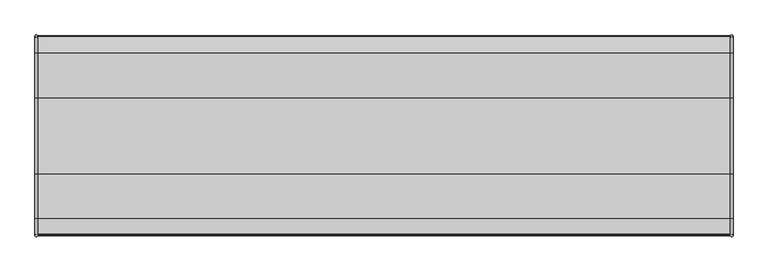
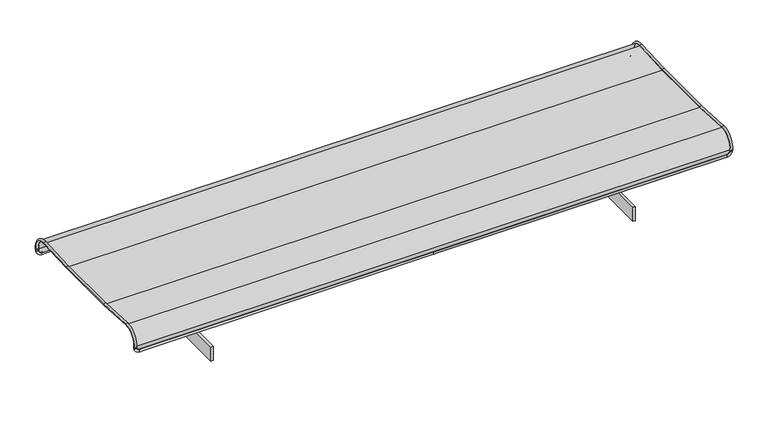
"""IFC4 building model written with IfcOpenShell, lengths in millimetres: furniture geometry."""

from ifc_helpers import new_model, si_unit, point, frame, frame_2d, origin, place, context, project, spatial, polyline, circle_curve, ellipse_curve, trimmed, segment, composite_curve, outline, extrude, source, transform, mapped, element, save
from ifc_brep_helpers import cylinder_surface, revolved_surface, advanced_brep


def furniture_deac8230(model_context):
    return source(origin(), model_context, "Body", "SolidModel", [
        advanced_brep(
        [(-999.5462493, 284.4659394, 360.5104882), (-999.5462493, 284.7053914, 362.4961022), (-991.5462493, 284.7053914, 362.4961022), (-991.5462493, 284.4659394, 360.5104882), (-999.5462493, 237.4859431, 412.9140708), (-991.5462493, 237.4859431, 412.9140708), (-999.5462493, 108.7493766, 405.8885189), (-991.5462493, 108.7493766, 405.8885189), (-999.5462493, -108.7732306, 405.8885189), (-991.5462493, -108.7732306, 405.8885189), (-999.5462493, -236.3198142, 412.8491298), (-991.5462493, -236.3198142, 412.8491298), (-999.5462493, -284.5865614, 361.3129209), (-991.5462493, -284.5865614, 361.3129209), (-999.5462493, -284.3471094, 359.3273069), (-991.5462493, -284.3471094, 359.3273069), (0.0, 282.8913258, 347.4532831), (-980.5462493, 282.8913258, 347.4532831), (-980.5462493, 281.9335176, 339.5108274), (0.0, 281.9335176, 339.5108274), (-999.5462493, 284.2083121, 358.3741598), (-991.5462493, 284.2083121, 358.3741598), (0.0, -281.8146877, 338.3276461), (-980.5462493, -281.8146877, 338.3276461), (-980.5462493, -282.7724959, 346.2701019), (0.0, -282.7724959, 346.2701019), (-991.5462493, -284.0894821, 357.1909785), (-999.5462493, -284.0894821, 357.1909785), (980.5462493, -282.7724959, 346.2701019), (980.5462493, -281.8146877, 338.3276461), (999.5462493, -284.0894821, 357.1909785), (991.5462493, -284.0894821, 357.1909785), (991.5462493, -284.3471094, 359.3273069), (999.5462493, -284.3471094, 359.3273069), (991.5462493, 284.4659394, 360.5104882), (991.5462493, 284.7053914, 362.4961022), (999.5462493, 284.7053914, 362.4961022), (999.5462493, 284.4659394, 360.5104882), (991.5462493, 237.4859431, 412.9140708), (999.5462493, 237.4859431, 412.9140708), (991.5462493, 108.7493766, 405.8885189), (999.5462493, 108.7493766, 405.8885189), (991.5462493, -108.7732306, 405.8885189), (999.5462493, -108.7732306, 405.8885189), (991.5462493, -236.3198142, 412.8491298), (999.5462493, -236.3198142, 412.8491298), (991.5462493, -284.5865614, 361.3129209), (999.5462493, -284.5865614, 361.3129209), (980.5462493, 281.9335176, 339.5108274), (980.5462493, 282.8913258, 347.4532831), (991.5462493, 284.2083121, 358.3741598), (999.5462493, 284.2083121, 358.3741598)],
        [
            (0, 1),
            (1, 2, circle_curve(frame((-995.5462493, 284.7053914, 362.4961022), z_axis=(0.0, -0.11972602531905047, -0.9928069695873927), x_axis=(1.0, 0.0, 0.0)), 4.0)),
            (2, 3),
            (3, 0, circle_curve(frame((-995.5462493, 284.4659394, 360.5104882), z_axis=(0.0, 0.11972602531905047, 0.9928069695873927), x_axis=(1.0, 0.0, 0.0)), 4.0)),
            (0, 3, circle_curve(frame((-995.5462493, 284.4659394, 360.5104882), z_axis=(0.0, 0.11972602531905047, 0.9928069695873927), x_axis=(1.0, 0.0, 0.0)), 4.0)),
            (2, 1, circle_curve(frame((-995.5462493, 284.7053914, 362.4961022), z_axis=(0.0, -0.11972602531905047, -0.9928069695873927), x_axis=(1.0, 0.0, 0.0)), 4.0)),
            (1, 4, circle_curve(frame((-999.5462493, 239.9428178, 367.8941757), z_axis=(1.0, 0.0, 0.0), x_axis=(0.0, 0.9928069695873927, -0.11972602531905052)), 45.0868849)),
            (4, 5, circle_curve(frame((-995.5462493, 237.4859431, 412.9140708), z_axis=(0.0, 0.9985142070101786, 0.05449200307232521), x_axis=(1.0, 0.0, 0.0)), 4.0)),
            (5, 2, circle_curve(frame((-991.5462493, 239.9428178, 367.8941757), z_axis=(-1.0, 0.0, 0.0), x_axis=(0.0, 0.9928069695873927, -0.11972602531905052)), 45.0868849)),
            (5, 4, circle_curve(frame((-995.5462493, 237.4859431, 412.9140708), z_axis=(0.0, 0.9985142070101786, 0.05449200307232521), x_axis=(1.0, 0.0, 0.0)), 4.0)),
            (4, 6),
            (6, 7, circle_curve(frame((-995.5462493, 108.7493766, 405.8885189), z_axis=(0.0, 0.9985142070101783, 0.0544920030723324), x_axis=(1.0, 0.0, 0.0)), 4.0)),
            (7, 5),
            (7, 6, circle_curve(frame((-995.5462493, 108.7493766, 405.8885189), z_axis=(0.0, 0.9985142070101783, 0.0544920030723324), x_axis=(1.0, 0.0, 0.0)), 4.0)),
            (6, 8, circle_curve(frame((-999.5462493, -0.011927, 2398.8361203), z_axis=(-1.0, 0.0, 0.0), x_axis=(0.0, 0.054492003072338854, -0.9985142070101778)), 1995.9131151)),
            (8, 9, circle_curve(frame((-995.5462493, -108.7732306, 405.8885189), z_axis=(0.0, 0.9985142070101786, -0.05449200307232431), x_axis=(1.0, 0.0, 0.0)), 4.0)),
            (9, 7, circle_curve(frame((-991.5462493, -0.011927, 2398.8361203), z_axis=(1.0, 0.0, 0.0), x_axis=(0.0, 0.054492003072338854, -0.9985142070101778)), 1995.9131151)),
            (9, 8, circle_curve(frame((-995.5462493, -108.7732306, 405.8885189), z_axis=(0.0, 0.9985142070101786, -0.05449200307232431), x_axis=(1.0, 0.0, 0.0)), 4.0)),
            (8, 10),
            (10, 11, circle_curve(frame((-995.5462493, -236.3198142, 412.8491298), z_axis=(0.0, 0.9985142070101782, -0.05449200307233083), x_axis=(1.0, 0.0, 0.0)), 4.0)),
            (11, 9),
            (11, 10, circle_curve(frame((-995.5462493, -236.3198142, 412.8491298), z_axis=(0.0, 0.9985142070101782, -0.05449200307233083), x_axis=(1.0, 0.0, 0.0)), 4.0)),
            (10, 12, circle_curve(frame((-999.5462493, -238.8311808, 366.8307204), z_axis=(1.0, 0.0, 0.0), x_axis=(0.0, 0.05449200307233129, 0.9985142070101782)), 46.0868849)),
            (12, 13, circle_curve(frame((-995.5462493, -284.5865614, 361.3129209), z_axis=(0.0, -0.11972602531906146, 0.9928069695873915), x_axis=(1.0, 0.0, 0.0)), 4.0)),
            (13, 11, circle_curve(frame((-991.5462493, -238.8311808, 366.8307204), z_axis=(-1.0, 0.0, 0.0), x_axis=(0.0, 0.05449200307233129, 0.9985142070101782)), 46.0868849)),
            (13, 12, circle_curve(frame((-995.5462493, -284.5865614, 361.3129209), z_axis=(0.0, -0.11972602531906146, 0.9928069695873915), x_axis=(1.0, 0.0, 0.0)), 4.0)),
            (12, 14),
            (14, 15, circle_curve(frame((-995.5462493, -284.3471094, 359.3273069), z_axis=(0.0, -0.11972602531906026, 0.9928069695873917), x_axis=(1.0, 0.0, 0.0)), 4.0)),
            (15, 13),
            (15, 14, circle_curve(frame((-995.5462493, -284.3471094, 359.3273069), z_axis=(0.0, -0.11972602531906026, 0.9928069695873917), x_axis=(1.0, 0.0, 0.0)), 4.0)),
            (16, 17),
            (17, 18, circle_curve(frame((-980.5462493, 282.4124217, 343.4820553), z_axis=(1.0, 0.0, 0.0), x_axis=(0.0, 0.1197260253190525, 0.9928069695873926)), 4.0)),
            (18, 19),
            (19, 16, circle_curve(frame((0.0, 282.4124217, 343.4820553), z_axis=(-1.0, 0.0, 0.0), x_axis=(0.0, 0.1197260253190525, 0.9928069695873926)), 4.0)),
            (16, 19, circle_curve(frame((0.0, 282.4124217, 343.4820553), z_axis=(-1.0, 0.0, 0.0), x_axis=(0.0, 0.1197260253190525, 0.9928069695873926)), 4.0)),
            (18, 17, circle_curve(frame((-980.5462493, 282.4124217, 343.4820553), z_axis=(1.0, 0.0, 0.0), x_axis=(0.0, 0.1197260253190525, 0.9928069695873926)), 4.0)),
            (20, 21, circle_curve(frame((-995.5462493, 284.2083121, 358.3741598), z_axis=(0.0, 0.11972602531905252, 0.9928069695873926), x_axis=(1.0, 0.0, 0.0)), 4.0)),
            (21, 3),
            (0, 20),
            (21, 20, circle_curve(frame((-995.5462493, 284.2083121, 358.3741598), z_axis=(0.0, 0.11972602531905252, 0.9928069695873926), x_axis=(1.0, 0.0, 0.0)), 4.0)),
            (17, 21, circle_curve(frame((-980.5462493, 284.2083121, 358.3741598), z_axis=(0.0, 0.9928069695873926, -0.1197260253190525), x_axis=(0.0, -0.1197260253190525, -0.9928069695873926)), 11.0)),
            (20, 18, circle_curve(frame((-980.5462493, 284.2083121, 358.3741598), z_axis=(0.0, -0.9928069695873926, 0.1197260253190525), x_axis=(0.0, -0.1197260253190525, -0.9928069695873926)), 19.0)),
            (22, 23),
            (23, 24, circle_curve(frame((-980.5462493, -282.2935918, 342.298874), z_axis=(1.0, 0.0, 0.0), x_axis=(0.0, -0.1197260253190525, 0.9928069695873926)), 4.0)),
            (24, 25),
            (25, 22, circle_curve(frame((0.0, -282.2935918, 342.298874), z_axis=(-1.0, 0.0, 0.0), x_axis=(0.0, -0.1197260253190525, 0.9928069695873926)), 4.0)),
            (22, 25, circle_curve(frame((0.0, -282.2935918, 342.298874), z_axis=(-1.0, 0.0, 0.0), x_axis=(0.0, -0.1197260253190525, 0.9928069695873926)), 4.0)),
            (24, 23, circle_curve(frame((-980.5462493, -282.2935918, 342.298874), z_axis=(1.0, 0.0, 0.0), x_axis=(0.0, -0.1197260253190525, 0.9928069695873926)), 4.0)),
            (26, 27, circle_curve(frame((-995.5462493, -284.0894821, 357.1909785), z_axis=(0.0, -0.11972602531905252, 0.9928069695873926), x_axis=(1.0, 0.0, 0.0)), 4.0)),
            (27, 14),
            (15, 26),
            (27, 26, circle_curve(frame((-995.5462493, -284.0894821, 357.1909785), z_axis=(0.0, -0.11972602531905252, 0.9928069695873926), x_axis=(1.0, 0.0, 0.0)), 4.0)),
            (23, 27, circle_curve(frame((-980.5462493, -284.0894821, 357.1909785), z_axis=(0.0, 0.9928069695873926, 0.1197260253190525), x_axis=(0.0, 0.1197260253190525, -0.9928069695873926)), 19.0)),
            (26, 24, circle_curve(frame((-980.5462493, -284.0894821, 357.1909785), z_axis=(0.0, -0.9928069695873926, -0.1197260253190525), x_axis=(0.0, 0.1197260253190525, -0.9928069695873926)), 11.0)),
            (25, 28),
            (28, 29, circle_curve(frame((980.5462493, -282.2935918, 342.298874), z_axis=(-1.0, 0.0, 0.0), x_axis=(0.0, -0.1197260253190525, 0.9928069695873926)), 4.0)),
            (29, 22),
            (29, 28, circle_curve(frame((980.5462493, -282.2935918, 342.298874), z_axis=(-1.0, 0.0, 0.0), x_axis=(0.0, -0.1197260253190525, 0.9928069695873926)), 4.0)),
            (30, 31, circle_curve(frame((995.5462493, -284.0894821, 357.1909785), z_axis=(0.0, -0.11972602531905252, 0.9928069695873926), x_axis=(-1.0, 0.0, 0.0)), 4.0)),
            (31, 32),
            (32, 33, circle_curve(frame((995.5462493, -284.3471094, 359.3273069), z_axis=(0.0, 0.11972602531905252, -0.9928069695873926), x_axis=(-1.0, 0.0, 0.0)), 4.0)),
            (33, 30),
            (31, 30, circle_curve(frame((995.5462493, -284.0894821, 357.1909785), z_axis=(0.0, -0.11972602531905252, 0.9928069695873926), x_axis=(-1.0, 0.0, 0.0)), 4.0)),
            (33, 32, circle_curve(frame((995.5462493, -284.3471094, 359.3273069), z_axis=(0.0, 0.11972602531905252, -0.9928069695873926), x_axis=(-1.0, 0.0, 0.0)), 4.0)),
            (28, 31, circle_curve(frame((980.5462493, -284.0894821, 357.1909785), z_axis=(0.0, -0.9928069695873926, -0.1197260253190525), x_axis=(0.0, 0.1197260253190525, -0.9928069695873926)), 11.0)),
            (30, 29, circle_curve(frame((980.5462493, -284.0894821, 357.1909785), z_axis=(0.0, 0.9928069695873926, 0.1197260253190525), x_axis=(0.0, 0.1197260253190525, -0.9928069695873926)), 19.0)),
            (34, 35),
            (35, 36, circle_curve(frame((995.5462493, 284.7053914, 362.4961022), z_axis=(0.0, -0.11972602531905047, -0.9928069695873927), x_axis=(-1.0, 0.0, 0.0)), 4.0)),
            (36, 37),
            (37, 34, circle_curve(frame((995.5462493, 284.4659394, 360.5104882), z_axis=(0.0, 0.11972602531905047, 0.9928069695873927), x_axis=(-1.0, 0.0, 0.0)), 4.0)),
            (34, 37, circle_curve(frame((995.5462493, 284.4659394, 360.5104882), z_axis=(0.0, 0.11972602531905047, 0.9928069695873927), x_axis=(-1.0, 0.0, 0.0)), 4.0)),
            (36, 35, circle_curve(frame((995.5462493, 284.7053914, 362.4961022), z_axis=(0.0, -0.11972602531905047, -0.9928069695873927), x_axis=(-1.0, 0.0, 0.0)), 4.0)),
            (35, 38, circle_curve(frame((991.5462493, 239.9428178, 367.8941757), z_axis=(1.0, 0.0, 0.0), x_axis=(0.0, 0.9928069695873929, -0.11972602531904875)), 45.0868849)),
            (38, 39, circle_curve(frame((995.5462493, 237.4859431, 412.9140708), z_axis=(0.0, 0.9985142070101786, 0.05449200307232563), x_axis=(-1.0, 0.0, 0.0)), 4.0)),
            (39, 36, circle_curve(frame((999.5462493, 239.9428178, 367.8941757), z_axis=(-1.0, 0.0, 0.0), x_axis=(0.0, 0.9928069695873929, -0.11972602531904875)), 45.0868849)),
            (39, 38, circle_curve(frame((995.5462493, 237.4859431, 412.9140708), z_axis=(0.0, 0.9985142070101786, 0.05449200307232563), x_axis=(-1.0, 0.0, 0.0)), 4.0)),
            (38, 40),
            (40, 41, circle_curve(frame((995.5462493, 108.7493766, 405.8885189), z_axis=(0.0, 0.9985142070101783, 0.05449200307233243), x_axis=(-1.0, 0.0, 0.0)), 4.0)),
            (41, 39),
            (41, 40, circle_curve(frame((995.5462493, 108.7493766, 405.8885189), z_axis=(0.0, 0.9985142070101783, 0.05449200307233243), x_axis=(-1.0, 0.0, 0.0)), 4.0)),
            (40, 42, circle_curve(frame((991.5462493, -0.011927, 2398.8361203), z_axis=(-1.0, 0.0, 0.0), x_axis=(0.0, 0.054492003072338854, -0.9985142070101778)), 1995.9131151)),
            (42, 43, circle_curve(frame((995.5462493, -108.7732306, 405.8885189), z_axis=(0.0, 0.9985142070101786, -0.05449200307232428), x_axis=(-1.0, 0.0, 0.0)), 4.0)),
            (43, 41, circle_curve(frame((999.5462493, -0.011927, 2398.8361203), z_axis=(1.0, 0.0, 0.0), x_axis=(0.0, 0.054492003072338854, -0.9985142070101778)), 1995.9131151)),
            (43, 42, circle_curve(frame((995.5462493, -108.7732306, 405.8885189), z_axis=(0.0, 0.9985142070101786, -0.05449200307232428), x_axis=(-1.0, 0.0, 0.0)), 4.0)),
            (42, 44),
            (44, 45, circle_curve(frame((995.5462493, -236.3198142, 412.8491298), z_axis=(0.0, 0.9985142070101783, -0.05449200307233081), x_axis=(-1.0, 0.0, 0.0)), 4.0)),
            (45, 43),
            (45, 44, circle_curve(frame((995.5462493, -236.3198142, 412.8491298), z_axis=(0.0, 0.9985142070101783, -0.05449200307233081), x_axis=(-1.0, 0.0, 0.0)), 4.0)),
            (44, 46, circle_curve(frame((991.5462493, -238.8311808, 366.8307204), z_axis=(1.0, 0.0, 0.0), x_axis=(0.0, 0.05449200307233129, 0.9985142070101782)), 46.0868849)),
            (46, 47, circle_curve(frame((995.5462493, -284.5865614, 361.3129209), z_axis=(0.0, -0.11972602531906149, 0.9928069695873915), x_axis=(-1.0, 0.0, 0.0)), 4.0)),
            (47, 45, circle_curve(frame((999.5462493, -238.8311808, 366.8307204), z_axis=(-1.0, 0.0, 0.0), x_axis=(0.0, 0.05449200307233129, 0.9985142070101782)), 46.0868849)),
            (47, 46, circle_curve(frame((995.5462493, -284.5865614, 361.3129209), z_axis=(0.0, -0.11972602531906149, 0.9928069695873915), x_axis=(-1.0, 0.0, 0.0)), 4.0)),
            (46, 32),
            (33, 47),
            (19, 48),
            (48, 49, circle_curve(frame((980.5462493, 282.4124217, 343.4820553), z_axis=(-1.0, 0.0, 0.0), x_axis=(0.0, 0.1197260253190525, 0.9928069695873926)), 4.0)),
            (49, 16),
            (49, 48, circle_curve(frame((980.5462493, 282.4124217, 343.4820553), z_axis=(-1.0, 0.0, 0.0), x_axis=(0.0, 0.1197260253190525, 0.9928069695873926)), 4.0)),
            (50, 51, circle_curve(frame((995.5462493, 284.2083121, 358.3741598), z_axis=(0.0, 0.11972602531905252, 0.9928069695873926), x_axis=(-1.0, 0.0, 0.0)), 4.0)),
            (51, 37),
            (34, 50),
            (51, 50, circle_curve(frame((995.5462493, 284.2083121, 358.3741598), z_axis=(0.0, 0.11972602531905252, 0.9928069695873926), x_axis=(-1.0, 0.0, 0.0)), 4.0)),
            (48, 51, circle_curve(frame((980.5462493, 284.2083121, 358.3741598), z_axis=(0.0, -0.9928069695873926, 0.1197260253190525), x_axis=(0.0, -0.1197260253190525, -0.9928069695873926)), 19.0)),
            (50, 49, circle_curve(frame((980.5462493, 284.2083121, 358.3741598), z_axis=(0.0, 0.9928069695873926, -0.1197260253190525), x_axis=(0.0, -0.1197260253190525, -0.9928069695873926)), 11.0)),
        ],
        [
            cylinder_surface(frame((-995.5462493, 284.4659394, 360.5104882), z_axis=(0.0, -0.11972602531905047, -0.9928069695873927), x_axis=(1.0, 0.0, 0.0)), 4.0),
            revolved_surface(trimmed(ellipse_curve(frame((-995.5462493, 284.7053914, 362.4961022), z_axis=(0.0, -0.1197260253190505, -0.9928069695873927), x_axis=(1.0, 0.0, 0.0)), 4.0, 4.0), [point((-999.5462493, 284.7053914, 362.4961022))], [point((-991.5462493, 284.7053914, 362.4961022))], True, "CARTESIAN"), (-646.1061414, 239.9428178, 367.8941757), (1.0, 0.0, 0.0)),
            revolved_surface(trimmed(ellipse_curve(frame((-995.5462493, 284.7053914, 362.4961022), z_axis=(0.0, -0.1197260253190505, -0.9928069695873927), x_axis=(1.0, 0.0, 0.0)), 4.0, 4.0), [point((-991.5462493, 284.7053914, 362.4961022))], [point((-999.5462493, 284.7053914, 362.4961022))], True, "CARTESIAN"), (-646.1061414, 239.9428178, 367.8941757), (1.0, 0.0, 0.0)),
            cylinder_surface(frame((-995.5462493, 237.4859431, 412.9140708), z_axis=(0.0, 0.9985142070101781, 0.05449200307233239), x_axis=(1.0, 0.0, 0.0)), 4.0),
            revolved_surface(trimmed(ellipse_curve(frame((-995.5462493, 108.7493766, 405.8885189), z_axis=(0.0, 0.9985142070101778, 0.054492003072338875), x_axis=(1.0, 0.0, 0.0)), 4.0, 4.0), [point((-999.5462493, 108.7493766, 405.8885189))], [point((-991.5462493, 108.7493766, 405.8885189))], True, "CARTESIAN"), (-646.1061414, -0.011927, 2398.8361203), (-1.0, 0.0, 0.0)),
            revolved_surface(trimmed(ellipse_curve(frame((-995.5462493, 108.7493766, 405.8885189), z_axis=(0.0, 0.9985142070101778, 0.054492003072338875), x_axis=(1.0, 0.0, 0.0)), 4.0, 4.0), [point((-991.5462493, 108.7493766, 405.8885189))], [point((-999.5462493, 108.7493766, 405.8885189))], True, "CARTESIAN"), (-646.1061414, -0.011927, 2398.8361203), (-1.0, 0.0, 0.0)),
            cylinder_surface(frame((-995.5462493, -108.7732306, 405.8885189), z_axis=(0.0, 0.9985142070101782, -0.05449200307233083), x_axis=(1.0, 0.0, 0.0)), 4.0),
            revolved_surface(trimmed(ellipse_curve(frame((-995.5462493, -236.3198142, 412.8491298), z_axis=(0.0, 0.9985142070101782, -0.05449200307233126), x_axis=(1.0, 0.0, 0.0)), 4.0, 4.0), [point((-999.5462493, -236.3198142, 412.8491298))], [point((-991.5462493, -236.3198142, 412.8491298))], True, "CARTESIAN"), (-646.1061414, -238.8311808, 366.8307204), (1.0, 0.0, 0.0)),
            revolved_surface(trimmed(ellipse_curve(frame((-995.5462493, -236.3198142, 412.8491298), z_axis=(0.0, 0.9985142070101782, -0.05449200307233126), x_axis=(1.0, 0.0, 0.0)), 4.0, 4.0), [point((-991.5462493, -236.3198142, 412.8491298))], [point((-999.5462493, -236.3198142, 412.8491298))], True, "CARTESIAN"), (-646.1061414, -238.8311808, 366.8307204), (1.0, 0.0, 0.0)),
            cylinder_surface(frame((-995.5462493, -284.5865614, 361.3129209), z_axis=(0.0, -0.11972602531906024, 0.9928069695873915), x_axis=(1.0, 0.0, 0.0)), 4.0),
            cylinder_surface(frame((0.0, 282.4124217, 343.4820553), z_axis=(1.0000000000000002, 0.0, 0.0), x_axis=(0.0, 0.1197260253190525, 0.9928069695873926)), 4.0),
            cylinder_surface(frame((-995.5462493, 284.2083121, 358.3741598), z_axis=(0.0, -0.11972602531905252, -0.9928069695873926), x_axis=(1.0, 0.0, 0.0)), 4.0),
            revolved_surface(trimmed(ellipse_curve(frame((-980.5462493, 282.4124217, 343.4820553), z_axis=(1.0000000000000002, 0.0, 0.0), x_axis=(0.0, 0.1197260253190525, 0.9928069695873926)), 4.0, 4.0), [point((-980.5462493, 282.8913258, 347.4532831))], [point((-980.5462493, 281.9335176, 339.5108274))], True, "CARTESIAN"), (-980.5462493, 1024.8202347, 269.0612072), (0.0, 0.9928069695873926, -0.1197260253190525)),
            revolved_surface(trimmed(ellipse_curve(frame((-980.5462493, 282.4124217, 343.4820553), z_axis=(1.0000000000000002, 0.0, 0.0), x_axis=(0.0, 0.1197260253190525, 0.9928069695873926)), 4.0, 4.0), [point((-980.5462493, 281.9335176, 339.5108274))], [point((-980.5462493, 282.8913258, 347.4532831))], True, "CARTESIAN"), (-980.5462493, 1024.8202347, 269.0612072), (0.0, 0.9928069695873926, -0.1197260253190525)),
            cylinder_surface(frame((0.0, -282.2935918, 342.298874), z_axis=(1.0000000000000002, 0.0, 0.0), x_axis=(0.0, -0.1197260253190525, 0.9928069695873926)), 4.0),
            cylinder_surface(frame((-995.5462493, -284.0894821, 357.1909785), z_axis=(0.0, 0.11972602531905252, -0.9928069695873926), x_axis=(1.0, 0.0, 0.0)), 4.0),
            revolved_surface(trimmed(ellipse_curve(frame((-980.5462493, -282.2935918, 342.298874), z_axis=(1.0000000000000002, 0.0, 0.0), x_axis=(0.0, -0.1197260253190525, 0.9928069695873926)), 4.0, 4.0), [point((-980.5462493, -281.8146877, 338.3276461))], [point((-980.5462493, -282.7724959, 346.2701019))], True, "CARTESIAN"), (-980.5462493, -1024.7014047, 267.878026), (0.0, 0.9928069695873926, 0.1197260253190525)),
            revolved_surface(trimmed(ellipse_curve(frame((-980.5462493, -282.2935918, 342.298874), z_axis=(1.0000000000000002, 0.0, 0.0), x_axis=(0.0, -0.1197260253190525, 0.9928069695873926)), 4.0, 4.0), [point((-980.5462493, -282.7724959, 346.2701019))], [point((-980.5462493, -281.8146877, 338.3276461))], True, "CARTESIAN"), (-980.5462493, -1024.7014047, 267.878026), (0.0, 0.9928069695873926, 0.1197260253190525)),
            cylinder_surface(frame((0.0, -282.2935918, 342.298874), z_axis=(-1.0000000000000002, 0.0, 0.0), x_axis=(0.0, -0.1197260253190525, 0.9928069695873926)), 4.0),
            cylinder_surface(frame((995.5462493, -284.0894821, 357.1909785), z_axis=(0.0, 0.11972602531905252, -0.9928069695873926), x_axis=(-1.0, 0.0, 0.0)), 4.0),
            revolved_surface(trimmed(ellipse_curve(frame((980.5462493, -282.2935918, 342.298874), z_axis=(-1.0000000000000002, 0.0, 0.0), x_axis=(0.0, -0.1197260253190525, 0.9928069695873926)), 4.0, 4.0), [point((980.5462493, -282.7724959, 346.2701019))], [point((980.5462493, -281.8146877, 338.3276461))], True, "CARTESIAN"), (980.5462493, -1024.7014047, 267.878026), (0.0, -0.9928069695873926, -0.1197260253190525)),
            revolved_surface(trimmed(ellipse_curve(frame((980.5462493, -282.2935918, 342.298874), z_axis=(-1.0000000000000002, 0.0, 0.0), x_axis=(0.0, -0.1197260253190525, 0.9928069695873926)), 4.0, 4.0), [point((980.5462493, -281.8146877, 338.3276461))], [point((980.5462493, -282.7724959, 346.2701019))], True, "CARTESIAN"), (980.5462493, -1024.7014047, 267.878026), (0.0, -0.9928069695873926, -0.1197260253190525)),
            cylinder_surface(frame((995.5462493, 284.4659394, 360.5104882), z_axis=(0.0, -0.11972602531905047, -0.9928069695873927), x_axis=(-1.0, 0.0, 0.0)), 4.0),
            revolved_surface(trimmed(ellipse_curve(frame((995.5462493, 284.7053914, 362.4961022), z_axis=(0.0, -0.11972602531904873, -0.9928069695873929), x_axis=(-1.0, 0.0, 0.0)), 4.0, 4.0), [point((991.5462493, 284.7053914, 362.4961022))], [point((999.5462493, 284.7053914, 362.4961022))], True, "CARTESIAN"), (646.1061414, 239.9428178, 367.8941757), (1.0, 0.0, 0.0)),
            revolved_surface(trimmed(ellipse_curve(frame((995.5462493, 284.7053914, 362.4961022), z_axis=(0.0, -0.11972602531904873, -0.9928069695873929), x_axis=(-1.0, 0.0, 0.0)), 4.0, 4.0), [point((999.5462493, 284.7053914, 362.4961022))], [point((991.5462493, 284.7053914, 362.4961022))], True, "CARTESIAN"), (646.1061414, 239.9428178, 367.8941757), (1.0, 0.0, 0.0)),
            cylinder_surface(frame((995.5462493, 237.4859431, 412.9140708), z_axis=(0.0, 0.9985142070101781, 0.054492003072332415), x_axis=(-1.0, 0.0, 0.0)), 4.0),
            revolved_surface(trimmed(ellipse_curve(frame((995.5462493, 108.7493766, 405.8885189), z_axis=(0.0, 0.9985142070101778, 0.0544920030723389), x_axis=(-1.0, 0.0, 0.0)), 4.0, 4.0), [point((991.5462493, 108.7493766, 405.8885189))], [point((999.5462493, 108.7493766, 405.8885189))], True, "CARTESIAN"), (646.1061414, -0.011927, 2398.8361203), (-1.0, 0.0, 0.0)),
            revolved_surface(trimmed(ellipse_curve(frame((995.5462493, 108.7493766, 405.8885189), z_axis=(0.0, 0.9985142070101778, 0.0544920030723389), x_axis=(-1.0, 0.0, 0.0)), 4.0, 4.0), [point((999.5462493, 108.7493766, 405.8885189))], [point((991.5462493, 108.7493766, 405.8885189))], True, "CARTESIAN"), (646.1061414, -0.011927, 2398.8361203), (-1.0, 0.0, 0.0)),
            cylinder_surface(frame((995.5462493, -108.7732306, 405.8885189), z_axis=(0.0, 0.9985142070101783, -0.05449200307233081), x_axis=(-1.0, 0.0, 0.0)), 4.0),
            revolved_surface(trimmed(ellipse_curve(frame((995.5462493, -236.3198142, 412.8491298), z_axis=(0.0, 0.9985142070101782, -0.054492003072331235), x_axis=(-1.0, 0.0, 0.0)), 4.0, 4.0), [point((991.5462493, -236.3198142, 412.8491298))], [point((999.5462493, -236.3198142, 412.8491298))], True, "CARTESIAN"), (646.1061414, -238.8311808, 366.8307204), (1.0, 0.0, 0.0)),
            revolved_surface(trimmed(ellipse_curve(frame((995.5462493, -236.3198142, 412.8491298), z_axis=(0.0, 0.9985142070101782, -0.054492003072331235), x_axis=(-1.0, 0.0, 0.0)), 4.0, 4.0), [point((999.5462493, -236.3198142, 412.8491298))], [point((991.5462493, -236.3198142, 412.8491298))], True, "CARTESIAN"), (646.1061414, -238.8311808, 366.8307204), (1.0, 0.0, 0.0)),
            cylinder_surface(frame((995.5462493, -284.5865614, 361.3129209), z_axis=(0.0, -0.11972602531906028, 0.9928069695873916), x_axis=(-1.0, 0.0, 0.0)), 4.0),
            cylinder_surface(frame((0.0, 282.4124217, 343.4820553), z_axis=(-1.0000000000000002, 0.0, 0.0), x_axis=(0.0, 0.1197260253190525, 0.9928069695873926)), 4.0),
            cylinder_surface(frame((995.5462493, 284.2083121, 358.3741598), z_axis=(0.0, -0.11972602531905252, -0.9928069695873926), x_axis=(-1.0, 0.0, 0.0)), 4.0),
            revolved_surface(trimmed(ellipse_curve(frame((980.5462493, 282.4124217, 343.4820553), z_axis=(-1.0000000000000002, 0.0, 0.0), x_axis=(0.0, 0.1197260253190525, 0.9928069695873926)), 4.0, 4.0), [point((980.5462493, 281.9335176, 339.5108274))], [point((980.5462493, 282.8913258, 347.4532831))], True, "CARTESIAN"), (980.5462493, 1024.8202347, 269.0612072), (0.0, -0.9928069695873926, 0.1197260253190525)),
            revolved_surface(trimmed(ellipse_curve(frame((980.5462493, 282.4124217, 343.4820553), z_axis=(-1.0000000000000002, 0.0, 0.0), x_axis=(0.0, 0.1197260253190525, 0.9928069695873926)), 4.0, 4.0), [point((980.5462493, 282.8913258, 347.4532831))], [point((980.5462493, 281.9335176, 339.5108274))], True, "CARTESIAN"), (980.5462493, 1024.8202347, 269.0612072), (0.0, -0.9928069695873926, 0.1197260253190525)),
        ],
        [
            (0, [[1, 2, 3, 4]]),
            (0, [[-1, 5, -3, 6]]),
            (1, [[-2, 7, 8, 9]]),
            (2, [[-6, -9, 10, -7]]),
            (3, [[-8, 11, 12, 13]]),
            (3, [[-10, -13, 14, -11]]),
            (4, [[-12, 15, 16, 17]]),
            (5, [[-14, -17, 18, -15]]),
            (6, [[-16, 19, 20, 21]]),
            (6, [[-18, -21, 22, -19]]),
            (7, [[-20, 23, 24, 25]]),
            (8, [[-22, -25, 26, -23]]),
            (9, [[-24, 27, 28, 29]]),
            (9, [[-26, -29, 30, -27]]),
            (10, [[31, 32, 33, 34]]),
            (10, [[-31, 35, -33, 36]]),
            (11, [[37, 38, -5, 39]]),
            (11, [[-38, 40, -39, -4]]),
            (12, [[-32, 41, -37, 42]]),
            (13, [[-36, -42, -40, -41]]),
            (14, [[43, 44, 45, 46]]),
            (14, [[-43, 47, -45, 48]]),
            (15, [[49, 50, -30, 51]]),
            (15, [[-50, 52, -51, -28]]),
            (16, [[-44, 53, -49, 54]]),
            (17, [[-48, -54, -52, -53]]),
            (18, [[55, 56, 57, -46]]),
            (18, [[-55, -47, -57, 58]]),
            (19, [[59, 60, 61, 62]]),
            (19, [[-60, 63, -62, 64]]),
            (20, [[-56, 65, -59, 66]]),
            (21, [[-58, -66, -63, -65]]),
            (22, [[67, 68, 69, 70]]),
            (22, [[-67, 71, -69, 72]]),
            (23, [[-68, 73, 74, 75]]),
            (24, [[-72, -75, 76, -73]]),
            (25, [[-74, 77, 78, 79]]),
            (25, [[-76, -79, 80, -77]]),
            (26, [[-78, 81, 82, 83]]),
            (27, [[-80, -83, 84, -81]]),
            (28, [[-82, 85, 86, 87]]),
            (28, [[-84, -87, 88, -85]]),
            (29, [[-86, 89, 90, 91]]),
            (30, [[-88, -91, 92, -89]]),
            (31, [[-90, 93, -64, 94]]),
            (31, [[-92, -94, -61, -93]]),
            (32, [[95, 96, 97, -34]]),
            (32, [[-95, -35, -97, 98]]),
            (33, [[99, 100, -71, 101]]),
            (33, [[-100, 102, -101, -70]]),
            (34, [[-96, 103, -99, 104]]),
            (35, [[-98, -104, -102, -103]]),
        ],
    ),
        extrude(outline(polyline([(701.0251424, -226.511927), (701.0251424, 226.488073), (708.8751424, 226.488073), (708.8751424, -226.511927), (701.0251424, -226.511927)])), frame((0.0, 0.0, 175.0), z_axis=(0.0, 0.0, 1.0), x_axis=(1.0, 0.0, 0.0)), (0.0, 0.0, 1.0), 50.0),
        extrude(outline(polyline([(-701.0250529, 226.488073), (-701.0250529, -226.511927), (-708.8750529, -226.511927), (-708.8750529, 226.488073), (-701.0250529, 226.488073)])), frame((0.0, 0.0, 175.0), z_axis=(0.0, 0.0, 1.0), x_axis=(1.0, 0.0, 0.0)), (0.0, 0.0, 1.0), 50.0),
        extrude(outline(composite_curve([segment(polyline([(279.0527789, 345.2904867), (281.1902399, 363.0150056)]), True, "CONTINUOUS"), segment(trimmed(circle_curve(frame_2d((240.4851542, 367.9237726)), 41.0), [point((281.1902399, 363.0150056))], [point((238.250982, 408.8628551))], True, "CARTESIAN"), True, "CONTINUOUS"), segment(polyline([(238.250982, 408.8628551), (108.9720792, 401.8077063)]), True, "CONTINUOUS"), segment(trimmed(circle_curve(frame_2d((-0.011927, 2398.8361203)), 2000.0), [point((108.9720792, 401.8077063))], [point((-108.9959331, 401.8077063))], False, "CARTESIAN"), True, "CONTINUOUS"), segment(polyline([(-108.9959331, 401.8077063), (-237.0634593, 408.7967466)]), True, "CONTINUOUS"), segment(trimmed(circle_curve(frame_2d((-239.3521235, 366.8591499)), 42.0), [point((-237.0634593, 408.7967466))], [point((-281.0500162, 361.8306568))], True, "CARTESIAN"), True, "CONTINUOUS"), segment(polyline([(-281.0500162, 361.8306568), (-278.8788064, 343.8262821), (-281.3471313, 343.5286183), (-283.5074945, 361.4430493)]), True, "CONTINUOUS"), segment(trimmed(circle_curve(frame_2d((-238.8311808, 366.8307204)), 45.0), [point((-283.5074945, 361.4430493))], [point((-236.3790407, 411.7638597))], False, "CARTESIAN"), True, "CONTINUOUS"), segment(polyline([(-236.3790407, 411.7638597), (-108.8324571, 404.8032489)]), True, "CONTINUOUS"), segment(trimmed(circle_curve(frame_2d((-0.011927, 2398.8361203)), 1997.0), [point((-108.8324571, 404.8032489))], [point((108.8086032, 404.8032489))], True, "CARTESIAN"), True, "CONTINUOUS"), segment(polyline([(108.8086032, 404.8032489), (237.5451697, 411.8288008)]), True, "CONTINUOUS"), segment(trimmed(circle_curve(frame_2d((239.9428178, 367.8941757)), 44.0), [point((237.5451697, 411.8288008))], [point((283.6263245, 362.6262306))], False, "CARTESIAN"), True, "CONTINUOUS"), segment(polyline([(283.6263245, 362.6262306), (281.5001555, 344.9953491), (279.0527789, 345.2904867)]), True, "CONTINUOUS")], self_intersect=False)), frame((-991.6344372, 0.0, 0.0), z_axis=(1.0, 0.0, 0.0), x_axis=(0.0, 1.0, 0.0)), (0.0, 0.0, 1.0), 1983.1889335),
    ])


if __name__ == "__main__":
    model = new_model("IFC4")
    model_context = context("Model", 3, world=origin())
    ifc_project = project(units=[si_unit("LENGTHUNIT", "METRE", prefix="MILLI")], contexts=[model_context])
    site = spatial("IfcSite", under=ifc_project)
    building = spatial("IfcBuilding", under=site)
    placement = place(None, origin())
    furniture_shape = furniture_deac8230(model_context)
    element("IfcFurniture", 1, at=placement, inside=building, context=model_context, shape_type="MappedRepresentation", body=[
        mapped(furniture_shape, transform((0.0, 0.0, 0.0), x_axis=(1.0, 0.0, 0.0), y_axis=(0.0, 1.0, 0.0), z_axis=(0.0, 0.0, 1.0))),
    ])
    save(model, "model.ifc")
